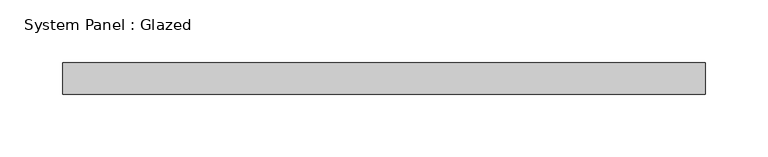
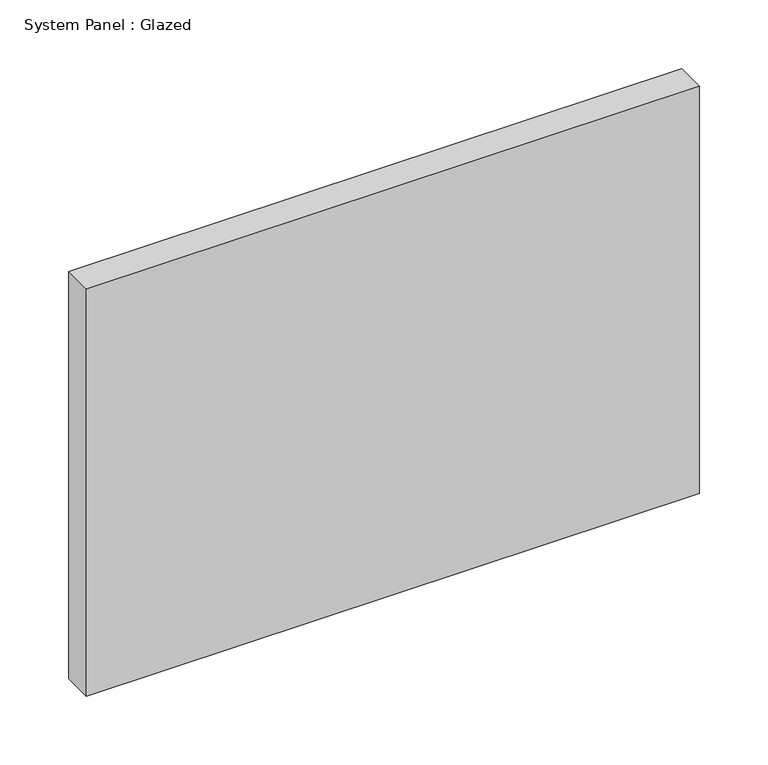
"""IFC4 building model written with IfcOpenShell, lengths in millimetres: plate geometry, System Panel : Glazed."""

from ifc_helpers import new_model, si_unit, origin, origin_with_axes, place, context, project, spatial, polyline, outline, extrude, source, transform, mapped, element, save


def system_panel_glazed_9deea46f(model_context):
    return source(origin(), model_context, "Body", "SweptSolid", [
        extrude(outline(polyline([(257.175, -12.7), (-257.175, -12.7), (-257.175, 12.7), (257.175, 12.7), (257.175, -12.7)])), origin_with_axes(), (0.0, 0.0, 1.0), 361.45),
    ])


if __name__ == "__main__":
    model = new_model("IFC4")
    model_context = context("Model", 3, world=origin())
    ifc_project = project(units=[si_unit("LENGTHUNIT", "METRE", prefix="MILLI")], contexts=[model_context])
    site = spatial("IfcSite", under=ifc_project)
    building = spatial("IfcBuilding", under=site)
    placement = place(None, origin())
    system_panel_glazed_shape = system_panel_glazed_9deea46f(model_context)
    element("IfcPlate", 1, ObjectType="System Panel : Glazed", at=placement, inside=building, context=model_context, shape_type="MappedRepresentation", body=[
        mapped(system_panel_glazed_shape, transform((0.0, 0.0, 0.0), x_axis=(1.0, 0.0, 0.0), y_axis=(0.0, 1.0, 0.0), z_axis=(0.0, 0.0, 1.0))),
    ])
    save(model, "model.ifc")
